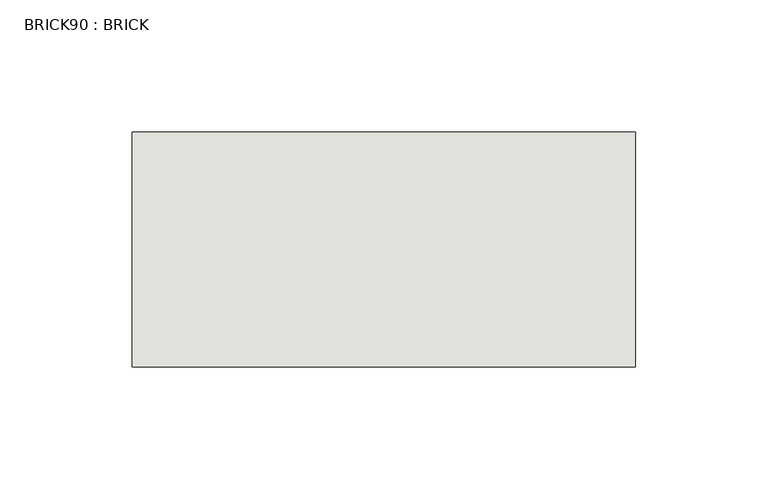
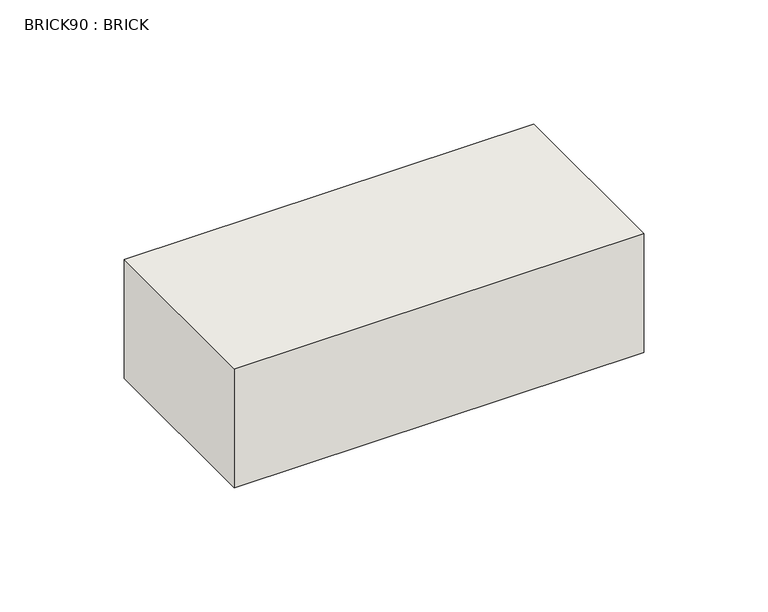
"""IFC4 building model written with IfcOpenShell, lengths in millimetres: wall geometry, BRICK90 : BRICK."""

from ifc_helpers import new_model, si_unit, frame, origin, place, context, project, spatial, polyline, outline, extrude, source, transform, mapped, element, save


def brick90_brick_f7d715ad(model_context):
    return source(origin(), model_context, "Body", "SweptSolid", [
        extrude(outline(polyline([(1241.2530711, 2586.2274125), (1431.7530711, 2586.2274125), (1431.7530711, 2497.3274125), (1241.2530711, 2497.3274125), (1241.2530711, 2586.2274125)])), frame((0.0, 0.0, 214.0148438), z_axis=(0.0, 0.0, 1.0), x_axis=(1.0, 0.0, 0.0)), (0.0, 0.0, 1.0), 58.4398437),
    ])


if __name__ == "__main__":
    model = new_model("IFC4")
    model_context = context("Model", 3, world=origin())
    ifc_project = project(units=[si_unit("LENGTHUNIT", "METRE", prefix="MILLI")], contexts=[model_context])
    site = spatial("IfcSite", under=ifc_project)
    building = spatial("IfcBuilding", under=site)
    placement = place(None, origin())
    brick90_brick_shape = brick90_brick_f7d715ad(model_context)
    element("IfcWall", 1, ObjectType="BRICK90 : BRICK", at=placement, inside=building, context=model_context, shape_type="MappedRepresentation", body=[
        mapped(brick90_brick_shape, transform((0.0, 0.0, 0.0), x_axis=(1.0, 0.0, 0.0), y_axis=(0.0, 1.0, 0.0), z_axis=(0.0, 0.0, 1.0))),
    ])
    save(model, "model.ifc")
